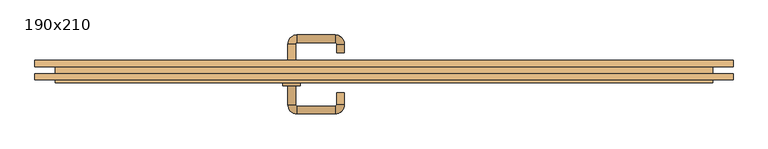
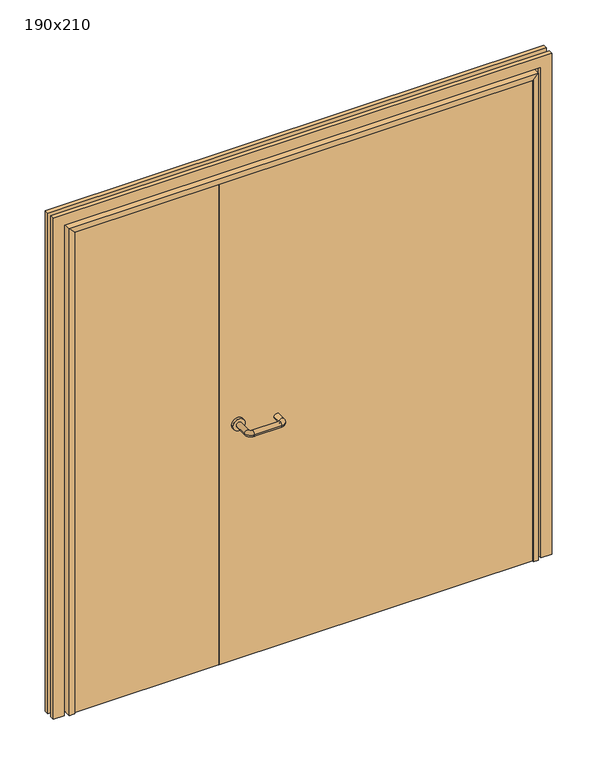
"""IFC4 building model written with IfcOpenShell, lengths in millimetres: door geometry, 190x210."""

from ifc_helpers import new_model, si_unit, point, frame, frame_2d, origin, place, context, project, spatial, polyline, circle_curve, ellipse_curve, trimmed, segment, composite_curve, outline, extrude, faceted_brep, source, transform, mapped, element, save
from ifc_brep_helpers import plane_surface, cylinder_surface, revolved_surface, advanced_brep


def door_190x210_c1a62457(model_context):
    return source(origin(), model_context, "Body", "SolidModel", [
        extrude(outline(polyline([(2127.0, 1002.0), (2127.0, -1002.0), (0.0, -1002.0), (0.0, -958.0), (2083.0, -958.0), (2083.0, 958.0), (0.0, 958.0), (0.0, 1002.0), (2127.0, 1002.0)])), frame((0.0, 10.0, 0.0), z_axis=(0.0, 1.0, 0.0), x_axis=(0.0, 0.0, 1.0)), (0.0, 0.0, 1.0), 18.0),
        extrude(outline(polyline([(2127.0, -1002.0), (0.0, -1002.0), (0.0, -958.0), (2083.0, -958.0), (2083.0, 958.0), (0.0, 958.0), (0.0, 1002.0), (2127.0, 1002.0), (2127.0, -1002.0)])), frame((0.0, -28.0, 0.0), z_axis=(0.0, 1.0, 0.0), x_axis=(0.0, 0.0, 1.0)), (0.0, 0.0, 1.0), 18.0),
        faceted_brep([(922.0, 13.5345933, 0.0), (943.0, 13.5345933, 0.0), (943.0, -37.0, 0.0), (922.0, -37.0, 0.0), (922.0, -37.0, 2047.0), (922.0, 13.5345933, 2047.0), (943.0, -37.0, 2068.0), (943.0, 13.5345933, 2068.0), (-922.0, 13.5345933, 0.0), (-922.0, -37.0, 0.0), (-943.0, -37.0, 0.0), (-943.0, 13.5345933, 0.0), (-943.0, 13.5345933, 2068.0), (-922.0, 13.5345933, 2047.0), (-943.0, -37.0, 2068.0), (-922.0, -37.0, 2047.0)], [[[0, 1, 2, 3]], [[0, 3, 4, 5]], [[3, 2, 6, 4]], [[2, 1, 7, 6]], [[1, 0, 5, 7]], [[8, 9, 10, 11]], [[12, 13, 8, 11]], [[14, 12, 11, 10]], [[15, 14, 10, 9]], [[13, 15, 9, 8]], [[5, 4, 15, 13]], [[4, 6, 14, 15]], [[6, 7, 12, 14]], [[7, 5, 13, 12]]]),
        extrude(outline(polyline([(2100.0, -975.0), (0.0, -975.0), (0.0, -943.0), (2068.0, -943.0), (2068.0, 943.0), (0.0, 943.0), (0.0, 975.0), (2100.0, 975.0), (2100.0, -975.0)])), frame((0.0, 10.0, 0.0), z_axis=(0.0, 1.0, 0.0), x_axis=(0.0, 0.0, 1.0)), (0.0, 0.0, 1.0), 3.5345933),
        advanced_brep(
        [(-276.0, -44.1125817, 1003.0), (-254.0, -44.1125817, 1003.0), (-254.0, -98.9968061, 1003.0), (-276.0, -98.9968061, 1003.0), (-250.0, -124.9968061, 1003.0), (-250.0, -102.9968061, 1003.0), (-140.0, -102.9968061, 1003.0), (-140.0, -124.9968061, 1003.0), (-114.0, -98.9968061, 1003.0), (-136.0, -98.9968061, 1003.0), (-136.0, -65.0, 1003.0), (-114.0, -65.0, 1003.0)],
        [
            (0, 1, circle_curve(frame((-265.0, -44.1125817, 1003.0), z_axis=(0.0, 1.0, 0.0), x_axis=(1.0, 0.0, 0.0)), 11.0)),
            (1, 0, circle_curve(frame((-265.0, -44.1125817, 1003.0), z_axis=(0.0, 1.0, 0.0), x_axis=(1.0, 0.0, 0.0)), 11.0)),
            (1, 2),
            (2, 3, circle_curve(frame((-265.0, -98.9968061, 1003.0), z_axis=(0.0, 1.0, 0.0), x_axis=(1.0, 0.0, 0.0)), 11.0)),
            (3, 0),
            (4, 3, circle_curve(frame((-250.0, -98.9968061, 1003.0), z_axis=(0.0, 0.0, -1.0), x_axis=(-1.0, 0.0, 0.0)), 26.0)),
            (2, 5, circle_curve(frame((-250.0, -98.9968061, 1003.0), z_axis=(0.0, 0.0, 1.0), x_axis=(-1.0, 0.0, 0.0)), 4.0)),
            (5, 4, circle_curve(frame((-250.0, -113.9968061, 1003.0), z_axis=(-1.0, 0.0, 0.0), x_axis=(0.0, 1.0, 0.0)), 11.0)),
            (5, 6),
            (6, 7, circle_curve(frame((-140.0, -113.9968061, 1003.0), z_axis=(-1.0, 0.0, 0.0), x_axis=(0.0, 1.0, 0.0)), 11.0)),
            (7, 4),
            (8, 7, circle_curve(frame((-140.0, -98.9968061, 1003.0), z_axis=(0.0, 0.0, -1.0), x_axis=(0.0, -1.0, 0.0)), 26.0)),
            (6, 9, circle_curve(frame((-140.0, -98.9968061, 1003.0), z_axis=(0.0, 0.0, 1.0), x_axis=(0.0, -1.0, 0.0)), 4.0)),
            (9, 8, circle_curve(frame((-125.0, -98.9968061, 1003.0), z_axis=(0.0, -1.0, 0.0), x_axis=(-1.0, 0.0, 0.0)), 11.0)),
            (9, 10),
            (10, 11, circle_curve(frame((-125.0, -65.0, 1003.0), z_axis=(0.0, -1.0, 0.0), x_axis=(-1.0, 0.0, 0.0)), 11.0)),
            (11, 8),
            (10, 11, circle_curve(frame((-125.0, -65.0, 1003.0), z_axis=(0.0, 1.0, 0.0), x_axis=(-1.0, 0.0, 0.0)), 11.0)),
            (3, 2, circle_curve(frame((-265.0, -98.9968061, 1003.0), z_axis=(0.0, 1.0, 0.0), x_axis=(1.0, 0.0, 0.0)), 11.0)),
            (4, 5, circle_curve(frame((-250.0, -113.9968061, 1003.0), z_axis=(-1.0, 0.0, 0.0), x_axis=(0.0, 1.0, 0.0)), 11.0)),
            (7, 6, circle_curve(frame((-140.0, -113.9968061, 1003.0), z_axis=(-1.0, 0.0, 0.0), x_axis=(0.0, 1.0, 0.0)), 11.0)),
            (8, 9, circle_curve(frame((-125.0, -98.9968061, 1003.0), z_axis=(0.0, -1.0, 0.0), x_axis=(-1.0, 0.0, 0.0)), 11.0)),
        ],
        [
            plane_surface(frame((-276.0, -44.1125817, 1003.0), z_axis=(0.0, 1.0, 0.0), x_axis=(0.0, 0.0, -1.0))),
            cylinder_surface(frame((-265.0, -44.1125817, 1003.0), z_axis=(0.0, 1.0, 0.0), x_axis=(1.0, 0.0, 0.0)), 11.0),
            revolved_surface(trimmed(ellipse_curve(frame((-265.0, -98.9968061, 1003.0), z_axis=(0.0, 1.0, 0.0), x_axis=(1.0, 0.0, 0.0)), 11.0, 11.0), [point((-254.0, -98.9968061, 1003.0))], [point((-276.0, -98.9968061, 1003.0))], True, "CARTESIAN"), (-250.0, -98.9968061, 1003.0), (0.0, 0.0, 1.0)),
            cylinder_surface(frame((-250.0, -113.9968061, 1003.0), z_axis=(-1.0, 0.0, 0.0), x_axis=(0.0, 1.0, 0.0)), 11.0),
            revolved_surface(trimmed(ellipse_curve(frame((-140.0, -113.9968061, 1003.0), z_axis=(-1.0, 0.0, 0.0), x_axis=(0.0, 1.0, 0.0)), 11.0, 11.0), [point((-140.0, -102.9968061, 1003.0))], [point((-140.0, -124.9968061, 1003.0))], True, "CARTESIAN"), (-140.0, -98.9968061, 1003.0), (0.0, 0.0, 1.0)),
            cylinder_surface(frame((-125.0, -98.9968061, 1003.0), z_axis=(0.0, -1.0, 0.0), x_axis=(-1.0, 0.0, 0.0)), 11.0),
            plane_surface(frame((-136.0, -65.0, 1003.0), z_axis=(0.0, 1.0, 0.0), x_axis=(0.0, 0.0, 1.0))),
            revolved_surface(trimmed(ellipse_curve(frame((-265.0, -98.9968061, 1003.0), z_axis=(0.0, 1.0, 0.0), x_axis=(1.0, 0.0, 0.0)), 11.0, 11.0), [point((-276.0, -98.9968061, 1003.0))], [point((-254.0, -98.9968061, 1003.0))], True, "CARTESIAN"), (-250.0, -98.9968061, 1003.0), (0.0, 0.0, 1.0)),
            revolved_surface(trimmed(ellipse_curve(frame((-140.0, -113.9968061, 1003.0), z_axis=(-1.0, 0.0, 0.0), x_axis=(0.0, 1.0, 0.0)), 11.0, 11.0), [point((-140.0, -124.9968061, 1003.0))], [point((-140.0, -102.9968061, 1003.0))], True, "CARTESIAN"), (-140.0, -98.9968061, 1003.0), (0.0, 0.0, 1.0)),
        ],
        [
            (0, [[1, 2]]),
            (1, [[-2, 3, 4, 5]]),
            (2, [[6, -4, 7, 8]]),
            (3, [[-8, 9, 10, 11]]),
            (4, [[12, -10, 13, 14]]),
            (5, [[-14, 15, 16, 17]]),
            (6, [[-16, 18]]),
            (1, [[-1, -5, 19, -3]]),
            (7, [[-7, -19, -6, 20]]),
            (3, [[-20, -11, 21, -9]]),
            (8, [[-13, -21, -12, 22]]),
            (5, [[-22, -17, -18, -15]]),
        ],
    ),
        extrude(outline(polyline([(-341.99898, -34.0), (-940.0, -34.0), (-940.0, 10.0), (-341.99898, 10.0), (-341.99898, -34.0)])), frame((0.0, 0.0, 3.0), z_axis=(0.0, 0.0, 1.0), x_axis=(1.0, 0.0, 0.0)), (0.0, 0.0, 1.0), 2062.0),
        extrude(outline(polyline([(940.0, -34.0), (-340.0, -34.0), (-340.0, 10.0), (940.0, 10.0), (940.0, -34.0)])), frame((0.0, 0.0, 3.0), z_axis=(0.0, 0.0, 1.0), x_axis=(1.0, 0.0, 0.0)), (0.0, 0.0, 1.0), 2062.0),
        extrude(outline(composite_curve([segment(trimmed(circle_curve(frame_2d((1003.0, -265.0)), 25.0), [point((1003.0, -290.0))], [point((1003.0, -240.0))], False, "CARTESIAN"), True, "CONTINUOUS"), segment(trimmed(circle_curve(frame_2d((1003.0, -265.0)), 25.0), [point((1003.0, -240.0))], [point((1003.0, -290.0))], False, "CARTESIAN"), True, "CONTINUOUS")], self_intersect=False)), frame((0.0, -44.1125817, 0.0), z_axis=(0.0, 1.0, 0.0), x_axis=(0.0, 0.0, 1.0)), (0.0, 0.0, 1.0), 10.1125817),
        advanced_brep(
        [(-254.0, 20.0, 1003.0), (-276.0, 20.0, 1003.0), (-276.0, 75.0, 1003.0), (-254.0, 75.0, 1003.0), (-250.0, 79.0, 1003.0), (-250.0, 101.0, 1003.0), (-140.0, 101.0, 1003.0), (-140.0, 79.0, 1003.0), (-136.0, 75.0, 1003.0), (-114.0, 75.0, 1003.0), (-114.0, 50.0, 1003.0), (-136.0, 50.0, 1003.0)],
        [
            (0, 1, circle_curve(frame((-265.0, 20.0, 1003.0), z_axis=(0.0, -1.0, 0.0), x_axis=(-1.0, 0.0, 0.0)), 11.0)),
            (1, 0, circle_curve(frame((-265.0, 20.0, 1003.0), z_axis=(0.0, -1.0, 0.0), x_axis=(-1.0, 0.0, 0.0)), 11.0)),
            (1, 2),
            (2, 3, circle_curve(frame((-265.0, 75.0, 1003.0), z_axis=(0.0, -1.0, 0.0), x_axis=(-1.0, 0.0, 0.0)), 11.0)),
            (3, 0),
            (4, 3, circle_curve(frame((-250.0, 75.0, 1003.0), z_axis=(0.0, 0.0, 1.0), x_axis=(-1.0, 0.0, 0.0)), 4.0)),
            (2, 5, circle_curve(frame((-250.0, 75.0, 1003.0), z_axis=(0.0, 0.0, -1.0), x_axis=(-1.0, 0.0, 0.0)), 26.0)),
            (5, 4, circle_curve(frame((-250.0, 90.0, 1003.0), z_axis=(-1.0, 0.0, 0.0), x_axis=(0.0, 1.0, 0.0)), 11.0)),
            (5, 6),
            (6, 7, circle_curve(frame((-140.0, 90.0, 1003.0), z_axis=(-1.0, 0.0, 0.0), x_axis=(0.0, 1.0, 0.0)), 11.0)),
            (7, 4),
            (8, 7, circle_curve(frame((-140.0, 75.0, 1003.0), z_axis=(0.0, 0.0, 1.0), x_axis=(0.0, 1.0, 0.0)), 4.0)),
            (6, 9, circle_curve(frame((-140.0, 75.0, 1003.0), z_axis=(0.0, 0.0, -1.0), x_axis=(0.0, 1.0, 0.0)), 26.0)),
            (9, 8, circle_curve(frame((-125.0, 75.0, 1003.0), z_axis=(0.0, 1.0, 0.0), x_axis=(1.0, 0.0, 0.0)), 11.0)),
            (9, 10),
            (10, 11, circle_curve(frame((-125.0, 50.0, 1003.0), z_axis=(0.0, 1.0, 0.0), x_axis=(1.0, 0.0, 0.0)), 11.0)),
            (11, 8),
            (10, 11, circle_curve(frame((-125.0, 50.0, 1003.0), z_axis=(0.0, -1.0, 0.0), x_axis=(1.0, 0.0, 0.0)), 11.0)),
            (3, 2, circle_curve(frame((-265.0, 75.0, 1003.0), z_axis=(0.0, -1.0, 0.0), x_axis=(-1.0, 0.0, 0.0)), 11.0)),
            (4, 5, circle_curve(frame((-250.0, 90.0, 1003.0), z_axis=(-1.0, 0.0, 0.0), x_axis=(0.0, 1.0, 0.0)), 11.0)),
            (7, 6, circle_curve(frame((-140.0, 90.0, 1003.0), z_axis=(-1.0, 0.0, 0.0), x_axis=(0.0, 1.0, 0.0)), 11.0)),
            (8, 9, circle_curve(frame((-125.0, 75.0, 1003.0), z_axis=(0.0, 1.0, 0.0), x_axis=(1.0, 0.0, 0.0)), 11.0)),
        ],
        [
            plane_surface(frame((-276.0, 20.0, 1003.0), z_axis=(0.0, -1.0, 0.0), x_axis=(0.0, 0.0, 1.0))),
            cylinder_surface(frame((-265.0, 20.0, 1003.0), z_axis=(0.0, -1.0, 0.0), x_axis=(-1.0, 0.0, 0.0)), 11.0),
            revolved_surface(trimmed(ellipse_curve(frame((-265.0, 75.0, 1003.0), z_axis=(0.0, -1.0, 0.0), x_axis=(-1.0, 0.0, 0.0)), 11.0, 11.0), [point((-276.0, 75.0, 1003.0))], [point((-254.0, 75.0, 1003.0))], True, "CARTESIAN"), (-250.0, 75.0, 1003.0), (0.0, 0.0, -1.0)),
            cylinder_surface(frame((-250.0, 90.0, 1003.0), z_axis=(-1.0, 0.0, 0.0), x_axis=(0.0, 1.0, 0.0)), 11.0),
            revolved_surface(trimmed(ellipse_curve(frame((-140.0, 90.0, 1003.0), z_axis=(-1.0, 0.0, 0.0), x_axis=(0.0, 1.0, 0.0)), 11.0, 11.0), [point((-140.0, 101.0, 1003.0))], [point((-140.0, 79.0, 1003.0))], True, "CARTESIAN"), (-140.0, 75.0, 1003.0), (0.0, 0.0, -1.0)),
            cylinder_surface(frame((-125.0, 75.0, 1003.0), z_axis=(0.0, 1.0, 0.0), x_axis=(1.0, 0.0, 0.0)), 11.0),
            plane_surface(frame((-136.0, 50.0, 1003.0), z_axis=(0.0, -1.0, 0.0), x_axis=(0.0, 0.0, -1.0))),
            revolved_surface(trimmed(ellipse_curve(frame((-265.0, 75.0, 1003.0), z_axis=(0.0, -1.0, 0.0), x_axis=(-1.0, 0.0, 0.0)), 11.0, 11.0), [point((-254.0, 75.0, 1003.0))], [point((-276.0, 75.0, 1003.0))], True, "CARTESIAN"), (-250.0, 75.0, 1003.0), (0.0, 0.0, -1.0)),
            revolved_surface(trimmed(ellipse_curve(frame((-140.0, 90.0, 1003.0), z_axis=(-1.0, 0.0, 0.0), x_axis=(0.0, 1.0, 0.0)), 11.0, 11.0), [point((-140.0, 79.0, 1003.0))], [point((-140.0, 101.0, 1003.0))], True, "CARTESIAN"), (-140.0, 75.0, 1003.0), (0.0, 0.0, -1.0)),
        ],
        [
            (0, [[1, 2]]),
            (1, [[-2, 3, 4, 5]]),
            (2, [[6, -4, 7, 8]]),
            (3, [[-8, 9, 10, 11]]),
            (4, [[12, -10, 13, 14]]),
            (5, [[-14, 15, 16, 17]]),
            (6, [[-16, 18]]),
            (1, [[-1, -5, 19, -3]]),
            (7, [[-7, -19, -6, 20]]),
            (3, [[-20, -11, 21, -9]]),
            (8, [[-13, -21, -12, 22]]),
            (5, [[-22, -17, -18, -15]]),
        ],
    ),
        extrude(outline(composite_curve([segment(trimmed(circle_curve(frame_2d((1003.0, -265.0)), 25.0), [point((1003.0, -240.0))], [point((1003.0, -290.0))], False, "CARTESIAN"), True, "CONTINUOUS"), segment(trimmed(circle_curve(frame_2d((1003.0, -265.0)), 25.0), [point((1003.0, -290.0))], [point((1003.0, -240.0))], False, "CARTESIAN"), True, "CONTINUOUS")], self_intersect=False)), frame((0.0, 10.0, 0.0), z_axis=(0.0, 1.0, 0.0), x_axis=(0.0, 0.0, 1.0)), (0.0, 0.0, 1.0), 10.0),
    ])


if __name__ == "__main__":
    model = new_model("IFC4")
    model_context = context("Model", 3, world=origin())
    ifc_project = project(units=[si_unit("LENGTHUNIT", "METRE", prefix="MILLI")], contexts=[model_context])
    site = spatial("IfcSite", under=ifc_project)
    building = spatial("IfcBuilding", under=site)
    placement = place(None, origin())
    door_190x210_shape = door_190x210_c1a62457(model_context)
    element("IfcDoor", 1, ObjectType="190x210", at=placement, inside=building, context=model_context, shape_type="MappedRepresentation", body=[
        mapped(door_190x210_shape, transform((0.0, 0.0, 0.0), x_axis=(1.0, 0.0, 0.0), y_axis=(0.0, 1.0, 0.0), z_axis=(0.0, 0.0, 1.0))),
    ])
    save(model, "model.ifc")
